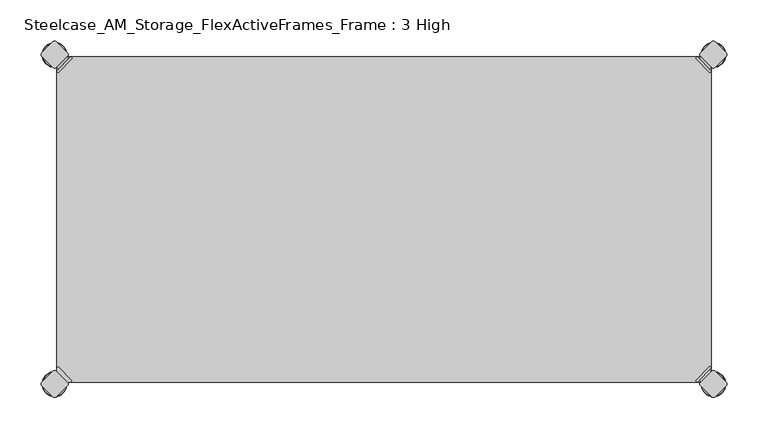
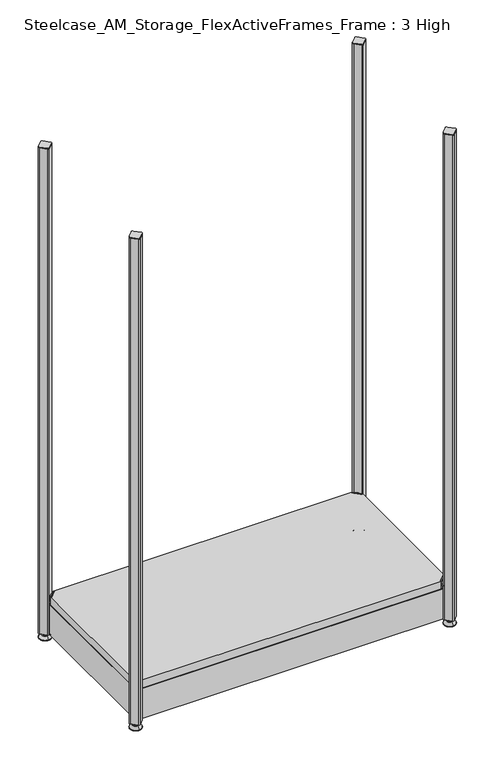
"""IFC4 building model written with IfcOpenShell, lengths in millimetres: furniture geometry, Steelcase_AM_Storage_FlexActiveFrames_Frame : 3 High."""

import ifcopenshell
import ifcopenshell.guid

model = None  # the IFC model being written
_history = None  # IfcOwnerHistory: only IFC2X3 demands one
_inside = {}  # id of a spatial element -> (the spatial element, [elements in it])
_under = {}  # id of a project, library or spatial element -> (it, [spatial elements below it])
_declared = {}  # id of a project -> (the project, [libraries it declares])
_typed = {}  # id of a type object -> (the type object, [elements of that type])
_made_of = {}  # id of a material, layer set ... -> (it, [elements and type objects made of it])


def new_model(schema):
    """Start an empty IFC model of exactly this schema.

    Asked for "IFC4X3", IfcOpenShell would pick the latest addendum, in which some entities
    have other attributes; the version numbers below select the first issue.
    IFC2X3 requires an IfcOwnerHistory on every rooted entity: one is made here for all.
    """
    global model, _history
    if schema == "IFC4X3":
        model = ifcopenshell.file(schema_version=(4, 3, 0, 0))
    else:
        model = ifcopenshell.file(schema=schema)
    _inside.clear()
    _under.clear()
    _declared.clear()
    _typed.clear()
    _made_of.clear()
    _history = None
    if model.schema == "IFC2X3":
        org = make("IfcOrganization", Name="unknown")
        user = make(
            "IfcPersonAndOrganization",
            ThePerson=make("IfcPerson", FamilyName="unknown"),
            TheOrganization=org,
        )
        app = make(
            "IfcApplication",
            ApplicationDeveloper=org,
            Version="unknown",
            ApplicationFullName="unknown",
            ApplicationIdentifier="unknown",
        )
        _history = make(
            "IfcOwnerHistory",
            OwningUser=user,
            OwningApplication=app,
            ChangeAction="ADDED",
            CreationDate=0,
        )
    return model


def make(cls, **values):
    """One entity of the class cls with the attributes given. An attribute that is None is left unset."""
    return model.create_entity(
        cls, **{name: value for name, value in values.items() if value is not None}
    )


def rooted(cls, **values):
    """An entity with a GlobalId (a new one), such as an element, a storey or a relation."""
    return make(cls, GlobalId=ifcopenshell.guid.new(), OwnerHistory=_history, **values)


def si_unit(unit_type, name, prefix=None):
    """IfcSIUnit, for example si_unit("LENGTHUNIT", "METRE", prefix="MILLI")."""
    return make("IfcSIUnit", UnitType=unit_type, Prefix=prefix, Name=name)


def assignment(units):
    """IfcUnitAssignment: the units of a project."""
    return None if units is None else make("IfcUnitAssignment", Units=units)


def point(xyz):
    """IfcCartesianPoint."""
    return None if xyz is None else make("IfcCartesianPoint", Coordinates=xyz)


def direction(xyz):
    """IfcDirection."""
    return None if xyz is None else make("IfcDirection", DirectionRatios=xyz)


def frame(location, z_axis=None, x_axis=None):
    """IfcAxis2Placement3D, a coordinate frame: its origin and axes. An axis left out is left unset."""
    return make(
        "IfcAxis2Placement3D",
        Location=point(location),
        Axis=direction(z_axis),
        RefDirection=direction(x_axis),
    )


def frame_2d(location, x_axis=None):
    """IfcAxis2Placement2D, a coordinate frame in the plane: its origin and x axis."""
    return make(
        "IfcAxis2Placement2D", Location=point(location), RefDirection=direction(x_axis)
    )


def origin():
    """The frame at (0, 0, 0) with its axes left unset."""
    return frame((0.0, 0.0, 0.0))


def place(relative_to, where):
    """IfcLocalPlacement: puts the frame where relative to a parent placement (None: the world)."""
    return make(
        "IfcLocalPlacement", PlacementRelTo=relative_to, RelativePlacement=where
    )


def context(
    kind, dimensions, precision=None, world=None, true_north=None, identifier=None
):
    """IfcGeometricRepresentationContext, for example the 3D "Model" context."""
    return make(
        "IfcGeometricRepresentationContext",
        ContextIdentifier=identifier,
        ContextType=kind,
        CoordinateSpaceDimension=dimensions,
        Precision=precision,
        WorldCoordinateSystem=world,
        TrueNorth=true_north,
    )


def project(units=None, contexts=None):
    """IfcProject with its units and contexts."""
    return rooted(
        "IfcProject",
        Name="project",
        RepresentationContexts=contexts,
        UnitsInContext=assignment(units),
    )


def spatial(cls, under=None, at=None, **own):
    """A site, building, storey or space (cls), placed at a placement, below another one or the project."""
    s = rooted(cls, ObjectPlacement=at, **own)
    if under is not None:
        _under.setdefault(under.id(), (under, []))[1].append(s)
    return s


def polyline(points):
    """IfcPolyline through the points."""
    return make("IfcPolyline", Points=[point(p) for p in points])


def circle_curve(where, radius):
    """IfcCircle in the frame where."""
    return make("IfcCircle", Position=where, Radius=radius)


def ellipse_curve(where, semi_axis1, semi_axis2):
    """IfcEllipse in the frame where."""
    return make(
        "IfcEllipse", Position=where, SemiAxis1=semi_axis1, SemiAxis2=semi_axis2
    )


def trimmed(basis, trim1, trim2, sense, master):
    """IfcTrimmedCurve: the piece of a basis curve between two trims."""
    return make(
        "IfcTrimmedCurve",
        BasisCurve=basis,
        Trim1=trim1,
        Trim2=trim2,
        SenseAgreement=sense,
        MasterRepresentation=master,
    )


def segment(curve, same_sense, transition):
    """IfcCompositeCurveSegment."""
    return make(
        "IfcCompositeCurveSegment",
        Transition=transition,
        SameSense=same_sense,
        ParentCurve=curve,
    )


def composite_curve(segments, self_intersect=None):
    """IfcCompositeCurve: segments joined end to end."""
    return make("IfcCompositeCurve", Segments=segments, SelfIntersect=self_intersect)


def outline(outer, holes=None, kind="AREA"):
    """IfcArbitraryClosedProfileDef: a profile drawn as a closed curve; with holes, ...WithVoids."""
    if holes is None:
        return make("IfcArbitraryClosedProfileDef", ProfileType=kind, OuterCurve=outer)
    return make(
        "IfcArbitraryProfileDefWithVoids",
        ProfileType=kind,
        OuterCurve=outer,
        InnerCurves=holes,
    )


def extrude(swept, where, along, depth):
    """IfcExtrudedAreaSolid: the profile swept, set in the frame where, extruded along a direction by depth."""
    return make(
        "IfcExtrudedAreaSolid",
        SweptArea=swept,
        Position=where,
        ExtrudedDirection=direction(along),
        Depth=depth,
    )


def shape(context_of_items, identifier, shape_type, items):
    """IfcShapeRepresentation: the items that make up one representation, for example the "Body"."""
    return make(
        "IfcShapeRepresentation",
        ContextOfItems=context_of_items,
        RepresentationIdentifier=identifier,
        RepresentationType=shape_type,
        Items=items,
    )


def source(mapping_origin, context_of_items, identifier, shape_type, items):
    """IfcRepresentationMap: a shape defined once, which mapped items show again and again."""
    return make(
        "IfcRepresentationMap",
        MappingOrigin=mapping_origin,
        MappedRepresentation=shape(context_of_items, identifier, shape_type, items),
    )


def transform(
    local_origin,
    x_axis=None,
    y_axis=None,
    z_axis=None,
    scale=None,
    scale2=None,
    scale3=None,
    uniform=True,
):
    """IfcCartesianTransformationOperator3D, or its non-uniform kind. x_axis, y_axis, z_axis: its Axis1, 2, 3."""
    if uniform:
        return make(
            "IfcCartesianTransformationOperator3D",
            Axis1=direction(x_axis),
            Axis2=direction(y_axis),
            LocalOrigin=point(local_origin),
            Scale=scale,
            Axis3=direction(z_axis),
        )
    return make(
        "IfcCartesianTransformationOperator3DnonUniform",
        Axis1=direction(x_axis),
        Axis2=direction(y_axis),
        LocalOrigin=point(local_origin),
        Scale=scale,
        Axis3=direction(z_axis),
        Scale2=scale2,
        Scale3=scale3,
    )


def mapped(mapping_source, mapping_target):
    """IfcMappedItem: shows the shape of a source again, moved by a transform."""
    return make(
        "IfcMappedItem", MappingSource=mapping_source, MappingTarget=mapping_target
    )


def made_of(thing, what):
    """Note that an element or type object is made of a material, layer set ...; save() writes the relation."""
    if what is not None:
        _made_of.setdefault(what.id(), (what, []))[1].append(thing)
    return thing


def element(
    cls,
    number,
    at=None,
    inside=None,
    cuts=None,
    type_object=None,
    material=None,
    context=None,
    identifier="Body",
    shape_type=None,
    held_by="IfcProductDefinitionShape",
    body=None,
    shapes=None,
    **own,
):
    """One element of the class cls, such as IfcWall. Its Tag is "e" and its number.

    at: its placement. inside: the storey or other place that contains it. cuts: it is an
    opening in that element (IfcRelVoidsElement). A single representation is given by context,
    identifier, shape_type and body (its items); several are given by shapes. held_by: the class
    of the entity that holds the representations. save() writes the other relations.
    """
    e = rooted(cls, Tag="e%d" % number, ObjectPlacement=at, **own)
    if body is not None:
        shapes = [shape(context, identifier, shape_type, body)]
    if shapes is not None:
        e.Representation = make(held_by, Representations=shapes)
    if inside is not None:
        _inside.setdefault(inside.id(), (inside, []))[1].append(e)
    if cuts is not None:
        rooted(
            "IfcRelVoidsElement", RelatingBuildingElement=cuts, RelatedOpeningElement=e
        )
    if type_object is not None:
        _typed.setdefault(type_object.id(), (type_object, []))[1].append(e)
    return made_of(e, material)


def aggregate(whole, parts):
    """IfcRelAggregates: a whole, such as a stair, and the parts it consists of."""
    return rooted("IfcRelAggregates", RelatingObject=whole, RelatedObjects=parts)


def save(model, path):
    """Write the relations noted so far, then the file.

    IfcRelAggregates (storeys below a building ...), IfcRelContainedInSpatialStructure (elements
    in a storey), IfcRelDefinesByType, IfcRelAssociatesMaterial and IfcRelDeclares: one each for
    every whole, place, type object, material and project.
    """
    for whole, parts in _under.values():
        aggregate(whole, parts)
    for where, things in _inside.values():
        rooted(
            "IfcRelContainedInSpatialStructure",
            RelatedElements=things,
            RelatingStructure=where,
        )
    for kind, things in _typed.values():
        rooted("IfcRelDefinesByType", RelatedObjects=things, RelatingType=kind)
    for what, things in _made_of.values():
        rooted("IfcRelAssociatesMaterial", RelatedObjects=things, RelatingMaterial=what)
    for by, libraries in _declared.values():
        rooted("IfcRelDeclares", RelatingContext=by, RelatedDefinitions=libraries)
    model.write(path)


def plane_surface(at):
    """IfcPlane: the flat surface through the origin of the frame at, square to its z axis."""
    return make("IfcPlane", Position=at)


def cylinder_surface(at, radius):
    """IfcCylindricalSurface: all points at the distance radius from the z axis of the frame at."""
    return make("IfcCylindricalSurface", Position=at, Radius=radius)


def revolved_surface(curve, axis_point, axis_direction):
    """IfcSurfaceOfRevolution: the curve turned about the line through axis_point along axis_direction."""
    return make(
        "IfcSurfaceOfRevolution",
        SweptCurve=make("IfcArbitraryOpenProfileDef", ProfileType="CURVE", Curve=curve),
        AxisPosition=make("IfcAxis1Placement", Location=point(axis_point), Axis=direction(axis_direction)),
    )


def advanced_brep(points, edges, surfaces, faces):
    """IfcAdvancedBrep: a solid bounded by faces that lie on surfaces and meet in shared edges.

    An edge is (start, end): straight between two places in points (the first is 0);
    or (start, end, curve); or (start, end, curve, False) where it runs against its curve.
    A face is (place in surfaces, loops), or (place, loops, False) where it looks against
    its surface's normal. A loop lists edges by number (the first is 1), with a minus sign
    where the edge is run from its end to its start. The first loop is the outer one.
    """
    corners = [point(p) for p in points]
    vertices = [make("IfcVertexPoint", VertexGeometry=c) for c in corners]
    made = []
    for start, end, *more in edges:
        made.append(
            make(
                "IfcEdgeCurve",
                EdgeStart=vertices[start],
                EdgeEnd=vertices[end],
                EdgeGeometry=more[0] if more else make("IfcPolyline", Points=[corners[start], corners[end]]),
                SameSense=more[1] if len(more) > 1 else True,
            )
        )
    hull = []
    for where, loops, *sense in faces:
        bounds = []
        for j, loop in enumerate(loops):
            ring = [make("IfcOrientedEdge", EdgeElement=made[abs(k) - 1], Orientation=k > 0) for k in loop]
            bounds.append(
                make(
                    "IfcFaceOuterBound" if j == 0 else "IfcFaceBound",
                    Bound=make("IfcEdgeLoop", EdgeList=ring),
                    Orientation=True,
                )
            )
        hull.append(make("IfcAdvancedFace", Bounds=bounds, FaceSurface=surfaces[where], SameSense=sense[0] if sense else True))
    return make("IfcAdvancedBrep", Outer=make("IfcClosedShell", CfsFaces=hull))


def steelcase_am_storage_flexactiveframes_frame_3_high_4fc9498e(model_context):
    return source(origin(), model_context, "Body", "SolidModel", [
        advanced_brep(
        [(797.56, -380.2870969, 118.9736), (795.7639488, -378.4910456, 118.9736), (778.5410456, -395.7139488, 118.9736), (780.3370969, -397.51, 118.9736), (780.3370969, -397.51, 97.6376), (797.56, -380.2870969, 97.6376), (795.2347277, -382.6123691, 108.8136), (782.6623691, -395.1847277, 108.8136), (769.8079478, -352.5350447, 98.6536), (752.5850447, -369.7579478, 98.6536), (778.5410456, -395.7139488, 98.6536), (795.7639488, -378.4910456, 98.6536), (769.8079478, -352.5350447, 97.6376), (752.5850447, -369.7579478, 97.6376), (784.9772487, -397.4996073, 108.8136), (797.5496073, -384.9272487, 108.8136)],
        [
            (0, 1),
            (1, 2),
            (2, 3),
            (3, 0),
            (3, 4),
            (4, 5),
            (5, 0),
            (6, 7, circle_curve(frame((788.9485484, -388.8985484, 108.8136), z_axis=(-0.7071067811865446, 0.7071067811865505, 0.0), x_axis=(0.7071067811865505, 0.7071067811865446, 0.0)), 8.89)),
            (7, 6, circle_curve(frame((788.9485484, -388.8985484, 108.8136), z_axis=(-0.7071067811865446, 0.7071067811865505, 0.0), x_axis=(0.7071067811865505, 0.7071067811865446, 0.0)), 8.89)),
            (8, 9, circle_curve(frame((761.1964963, -361.1464963, 98.6536), z_axis=(0.0, 0.0, 1.0), x_axis=(-1.0, 0.0, 0.0)), 12.1784316)),
            (9, 10),
            (10, 11),
            (11, 8),
            (12, 5),
            (4, 13),
            (13, 12, circle_curve(frame((761.1964963, -361.1464963, 97.6376), z_axis=(0.0, 0.0, -1.0), x_axis=(-1.0, 0.0, 0.0)), 12.1784316)),
            (14, 15, circle_curve(frame((791.263428, -391.213428, 108.8136), z_axis=(0.7071067811865446, -0.7071067811865505, 0.0), x_axis=(0.7071067811865505, 0.7071067811865446, 0.0)), 8.89)),
            (15, 14, circle_curve(frame((791.263428, -391.213428, 108.8136), z_axis=(0.7071067811865446, -0.7071067811865505, 0.0), x_axis=(0.7071067811865505, 0.7071067811865446, 0.0)), 8.89)),
            (14, 7),
            (6, 15),
            (1, 11),
            (10, 2),
            (8, 12),
            (13, 9),
        ],
        [
            plane_surface(frame((819.7579872, -402.485084, 118.9736), z_axis=(0.0, 0.0, 1.0000000000000002), x_axis=(-0.7071067811865436, 0.7071067811865516, 0.0))),
            plane_surface(frame((780.3370969, -397.51, 118.9736), z_axis=(0.7071067811865447, -0.7071067811865503, 0.0), x_axis=(0.0, 0.0, -1.0))),
            plane_surface(frame((749.0180647, -361.1464963, 98.6536), z_axis=(0.0, 0.0, 1.0), x_axis=(0.0, -1.0, 0.0))),
            plane_surface(frame((749.0180647, -361.1464963, 97.6376), z_axis=(0.0, 0.0, -1.0), x_axis=(0.0, 1.0, 0.0))),
            plane_surface(frame((797.5496073, -384.9272487, 108.8136), z_axis=(0.7071067811865446, -0.7071067811865505, 0.0), x_axis=(0.0, 0.0, 1.0))),
            cylinder_surface(frame((788.9485484, -388.8985484, 108.8136), z_axis=(0.7071067811865446, -0.7071067811865505, 0.0), x_axis=(0.7071067811865505, 0.7071067811865446, 0.0)), 8.89),
            plane_surface(frame((795.7639488, -378.4910456, 118.9736), z_axis=(-0.7071067811865447, 0.7071067811865503, 0.0), x_axis=(0.0, 0.0, -1.0))),
            cylinder_surface(frame((761.1964963, -361.1464963, 97.6376), z_axis=(0.0, 0.0, 1.0), x_axis=(-1.0, 0.0, 0.0)), 12.1784316),
            plane_surface(frame((797.56, -380.2870969, 118.9736), z_axis=(0.7071067811865516, 0.7071067811865436, 0.0), x_axis=(0.0, 0.0, -1.0))),
            plane_surface(frame((778.5410456, -395.7139488, 118.9736), z_axis=(-0.7071067811865513, -0.7071067811865437, 0.0), x_axis=(0.0, 0.0, -1.0))),
        ],
        [
            (0, [[1, 2, 3, 4]]),
            (1, [[-4, 5, 6, 7], [8, 9]]),
            (2, [[10, 11, 12, 13]]),
            (3, [[14, -6, 15, 16]]),
            (4, [[17, 18]]),
            (5, [[-17, 19, -8, 20]]),
            (5, [[-18, -20, -9, -19]]),
            (6, [[-2, 21, -12, 22]]),
            (7, [[-10, 23, -16, 24]]),
            (8, [[-1, -7, -14, -23, -13, -21]]),
            (9, [[-3, -22, -11, -24, -15, -5]]),
        ],
    ),
        advanced_brep(
        [(797.56, -19.7629031, 118.9736), (780.3370969, -2.54, 118.9736), (778.5410456, -4.3360512, 118.9736), (795.7639488, -21.5589544, 118.9736), (797.56, -19.7629031, 97.6376), (780.3370969, -2.54, 97.6376), (795.2347277, -17.4376309, 108.8136), (782.6623691, -4.8652723, 108.8136), (769.8079478, -47.5149553, 98.6536), (795.7639488, -21.5589544, 98.6536), (778.5410456, -4.3360512, 98.6536), (752.5850447, -30.2920522, 98.6536), (769.8079478, -47.5149553, 97.6376), (752.5850447, -30.2920522, 97.6376), (784.9772487, -2.5503927, 108.8136), (797.5496073, -15.1227513, 108.8136)],
        [
            (0, 1),
            (1, 2),
            (2, 3),
            (3, 0),
            (0, 4),
            (4, 5),
            (5, 1),
            (6, 7, circle_curve(frame((788.9485484, -11.1514516, 108.8136), z_axis=(-0.7071067811865469, -0.7071067811865481, 0.0), x_axis=(0.7071067811865481, -0.7071067811865469, 0.0)), 8.89)),
            (7, 6, circle_curve(frame((788.9485484, -11.1514516, 108.8136), z_axis=(-0.7071067811865469, -0.7071067811865481, 0.0), x_axis=(0.7071067811865481, -0.7071067811865469, 0.0)), 8.89)),
            (8, 9),
            (9, 10),
            (10, 11),
            (11, 8, circle_curve(frame((761.1964963, -38.9035037, 98.6536), z_axis=(0.0, 0.0, 1.0), x_axis=(-1.0, 0.0, 0.0)), 12.1784316)),
            (12, 13, circle_curve(frame((761.1964963, -38.9035037, 97.6376), z_axis=(0.0, 0.0, -1.0), x_axis=(-1.0, 0.0, 0.0)), 12.1784316)),
            (13, 5),
            (4, 12),
            (14, 15, circle_curve(frame((791.263428, -8.836572, 108.8136), z_axis=(0.7071067811865469, 0.7071067811865481, 0.0), x_axis=(0.7071067811865481, -0.7071067811865469, 0.0)), 8.89)),
            (15, 14, circle_curve(frame((791.263428, -8.836572, 108.8136), z_axis=(0.7071067811865469, 0.7071067811865481, 0.0), x_axis=(0.7071067811865481, -0.7071067811865469, 0.0)), 8.89)),
            (15, 6),
            (7, 14),
            (2, 10),
            (9, 3),
            (11, 13),
            (12, 8),
        ],
        [
            plane_surface(frame((819.7579872, 2.435084, 118.9736), z_axis=(0.0, 0.0, 1.0000000000000002), x_axis=(-0.7071067811865459, -0.7071067811865492, 0.0))),
            plane_surface(frame((780.3370969, -2.54, 118.9736), z_axis=(0.707106781186547, 0.707106781186548, 0.0), x_axis=(0.0, 0.0, -1.0))),
            plane_surface(frame((749.0180647, -38.9035037, 98.6536), z_axis=(0.0, 0.0, 1.0), x_axis=(0.0, 1.0, 0.0))),
            plane_surface(frame((749.0180647, -38.9035037, 97.6376), z_axis=(0.0, 0.0, -1.0), x_axis=(0.0, -1.0, 0.0))),
            plane_surface(frame((797.5496073, -15.1227513, 108.8136), z_axis=(0.7071067811865469, 0.7071067811865481, 0.0), x_axis=(0.0, 0.0, 1.0))),
            cylinder_surface(frame((788.9485484, -11.1514516, 108.8136), z_axis=(0.7071067811865469, 0.7071067811865481, 0.0), x_axis=(0.7071067811865481, -0.7071067811865469, 0.0)), 8.89),
            plane_surface(frame((795.7639488, -21.5589544, 118.9736), z_axis=(-0.707106781186547, -0.707106781186548, 0.0), x_axis=(0.0, 0.0, -1.0))),
            cylinder_surface(frame((761.1964963, -38.9035037, 97.6376), z_axis=(0.0, 0.0, 1.0), x_axis=(-1.0, 0.0, 0.0)), 12.1784316),
            plane_surface(frame((797.56, -19.7629031, 118.9736), z_axis=(0.7071067811865492, -0.7071067811865459, 0.0), x_axis=(0.0, 0.0, -1.0))),
            plane_surface(frame((778.5410456, -4.3360512, 118.9736), z_axis=(-0.707106781186549, 0.707106781186546, 0.0), x_axis=(0.0, 0.0, -1.0))),
        ],
        [
            (0, [[1, 2, 3, 4]]),
            (1, [[5, 6, 7, -1], [8, 9]]),
            (2, [[10, 11, 12, 13]]),
            (3, [[14, 15, -6, 16]]),
            (4, [[17, 18]]),
            (5, [[19, -9, 20, -18]]),
            (5, [[-20, -8, -19, -17]]),
            (6, [[21, -11, 22, -3]]),
            (7, [[23, -14, 24, -13]]),
            (8, [[-22, -10, -24, -16, -5, -4]]),
            (9, [[-7, -15, -23, -12, -21, -2]]),
        ],
    ),
        advanced_brep(
        [(2.54, -19.7629031, 118.9736), (4.3360512, -21.5589544, 118.9736), (21.5589544, -4.3360512, 118.9736), (19.7629031, -2.54, 118.9736), (19.7629031, -2.54, 97.6376), (2.54, -19.7629031, 97.6376), (4.8652723, -17.4376309, 108.8136), (17.4376309, -4.8652723, 108.8136), (30.2920522, -47.5149553, 98.6536), (47.5149553, -30.2920522, 98.6536), (21.5589544, -4.3360512, 98.6536), (4.3360512, -21.5589544, 98.6536), (30.2920522, -47.5149553, 97.6376), (47.5149553, -30.2920522, 97.6376), (15.1227513, -2.5503927, 108.8136), (2.5503927, -15.1227513, 108.8136)],
        [
            (0, 1),
            (1, 2),
            (2, 3),
            (3, 0),
            (3, 4),
            (4, 5),
            (5, 0),
            (6, 7, circle_curve(frame((11.1514516, -11.1514516, 108.8136), z_axis=(0.7071067811865469, -0.7071067811865481, 0.0), x_axis=(-0.7071067811865481, -0.7071067811865469, 0.0)), 8.89)),
            (7, 6, circle_curve(frame((11.1514516, -11.1514516, 108.8136), z_axis=(0.7071067811865469, -0.7071067811865481, 0.0), x_axis=(-0.7071067811865481, -0.7071067811865469, 0.0)), 8.89)),
            (8, 9, circle_curve(frame((38.9035037, -38.9035037, 98.6536), z_axis=(0.0, 0.0, 1.0), x_axis=(1.0, 0.0, 0.0)), 12.1784316)),
            (9, 10),
            (10, 11),
            (11, 8),
            (12, 5),
            (4, 13),
            (13, 12, circle_curve(frame((38.9035037, -38.9035037, 97.6376), z_axis=(0.0, 0.0, -1.0), x_axis=(1.0, 0.0, 0.0)), 12.1784316)),
            (14, 15, circle_curve(frame((8.836572, -8.836572, 108.8136), z_axis=(-0.7071067811865469, 0.7071067811865481, 0.0), x_axis=(-0.7071067811865481, -0.7071067811865469, 0.0)), 8.89)),
            (15, 14, circle_curve(frame((8.836572, -8.836572, 108.8136), z_axis=(-0.7071067811865469, 0.7071067811865481, 0.0), x_axis=(-0.7071067811865481, -0.7071067811865469, 0.0)), 8.89)),
            (14, 7),
            (6, 15),
            (1, 11),
            (10, 2),
            (8, 12),
            (13, 9),
        ],
        [
            plane_surface(frame((-19.6579872, 2.435084, 118.9736), z_axis=(0.0, 0.0, 1.0000000000000002), x_axis=(0.7071067811865459, -0.7071067811865492, 0.0))),
            plane_surface(frame((19.7629031, -2.54, 118.9736), z_axis=(-0.707106781186547, 0.707106781186548, 0.0), x_axis=(0.0, 0.0, -1.0))),
            plane_surface(frame((51.0819353, -38.9035037, 98.6536), z_axis=(0.0, 0.0, 1.0), x_axis=(0.0, 1.0, 0.0))),
            plane_surface(frame((51.0819353, -38.9035037, 97.6376), z_axis=(0.0, 0.0, -1.0), x_axis=(0.0, -1.0, 0.0))),
            plane_surface(frame((2.5503927, -15.1227513, 108.8136), z_axis=(-0.7071067811865469, 0.7071067811865481, 0.0), x_axis=(0.0, 0.0, 1.0))),
            cylinder_surface(frame((11.1514516, -11.1514516, 108.8136), z_axis=(-0.7071067811865469, 0.7071067811865481, 0.0), x_axis=(-0.7071067811865481, -0.7071067811865469, 0.0)), 8.89),
            plane_surface(frame((4.3360512, -21.5589544, 118.9736), z_axis=(0.707106781186547, -0.707106781186548, 0.0), x_axis=(0.0, 0.0, -1.0))),
            cylinder_surface(frame((38.9035037, -38.9035037, 97.6376), z_axis=(0.0, 0.0, 1.0), x_axis=(1.0, 0.0, 0.0)), 12.1784316),
            plane_surface(frame((2.54, -19.7629031, 118.9736), z_axis=(-0.7071067811865492, -0.7071067811865459, 0.0), x_axis=(0.0, 0.0, -1.0))),
            plane_surface(frame((21.5589544, -4.3360512, 118.9736), z_axis=(0.707106781186549, 0.707106781186546, 0.0), x_axis=(0.0, 0.0, -1.0))),
        ],
        [
            (0, [[1, 2, 3, 4]]),
            (1, [[-4, 5, 6, 7], [8, 9]]),
            (2, [[10, 11, 12, 13]]),
            (3, [[14, -6, 15, 16]]),
            (4, [[17, 18]]),
            (5, [[-17, 19, -8, 20]]),
            (5, [[-18, -20, -9, -19]]),
            (6, [[-2, 21, -12, 22]]),
            (7, [[-10, 23, -16, 24]]),
            (8, [[-1, -7, -14, -23, -13, -21]]),
            (9, [[-3, -22, -11, -24, -15, -5]]),
        ],
    ),
        extrude(outline(polyline([(19.7629031, -2.54), (780.3370969, -2.54), (778.5410456, -4.3360512), (795.7639488, -21.5589544), (797.56, -19.7629031), (797.56, -380.2870969), (795.7639488, -378.4910456), (778.5410456, -395.7139488), (780.3370969, -397.51), (19.7629031, -397.51), (21.5589544, -395.7139488), (4.3360512, -378.4910456), (2.54, -380.2870969), (2.54, -19.7629031), (4.3360512, -21.5589544), (21.5589544, -4.3360512), (19.7629031, -2.54)])), frame((0.0, 0.0, 98.6536), z_axis=(0.0, 0.0, 1.0), x_axis=(1.0, 0.0, 0.0)), (0.0, 0.0, 1.0), 20.32),
        extrude(outline(composite_curve([segment(polyline([(-2.245064, -15.4326055), (-15.4326055, -2.245064)]), True, "CONTINUOUS"), segment(trimmed(circle_curve(frame_2d((-13.1875415, 0.0)), 3.175), [point((-15.4326055, -2.245064))], [point((-15.4326055, 2.245064))], False, "CARTESIAN"), True, "CONTINUOUS"), segment(polyline([(-15.4326055, 2.245064), (-2.245064, 15.4326055)]), True, "CONTINUOUS"), segment(trimmed(circle_curve(frame_2d((0.0, 13.1875415)), 3.175), [point((-2.245064, 15.4326055))], [point((2.245064, 15.4326055))], False, "CARTESIAN"), True, "CONTINUOUS"), segment(polyline([(2.245064, 15.4326055), (15.4326055, 2.245064)]), True, "CONTINUOUS"), segment(trimmed(circle_curve(frame_2d((13.1875415, 0.0)), 3.175), [point((15.4326055, 2.245064))], [point((15.4326055, -2.245064))], False, "CARTESIAN"), True, "CONTINUOUS"), segment(polyline([(15.4326055, -2.245064), (2.245064, -15.4326055)]), True, "CONTINUOUS"), segment(trimmed(circle_curve(frame_2d((0.0, -13.1875415)), 3.175), [point((2.245064, -15.4326055))], [point((-2.245064, -15.4326055))], False, "CARTESIAN"), True, "CONTINUOUS")], self_intersect=False)), frame((0.0, 0.0, 1324.61), z_axis=(0.0, 0.0, 1.0), x_axis=(1.0, 0.0, 0.0)), (0.0, 0.0, 1.0), 2.032),
        extrude(outline(composite_curve([segment(trimmed(circle_curve(frame_2d((800.1, -13.1875415)), 3.175), [point((802.345064, -15.4326055))], [point((797.854936, -15.4326055))], False, "CARTESIAN"), True, "CONTINUOUS"), segment(polyline([(797.854936, -15.4326055), (784.6673945, -2.245064)]), True, "CONTINUOUS"), segment(trimmed(circle_curve(frame_2d((786.9124585, 0.0)), 3.175), [point((784.6673945, -2.245064))], [point((784.6673945, 2.245064))], False, "CARTESIAN"), True, "CONTINUOUS"), segment(polyline([(784.6673945, 2.245064), (797.854936, 15.4326055)]), True, "CONTINUOUS"), segment(trimmed(circle_curve(frame_2d((800.1, 13.1875415)), 3.175), [point((797.854936, 15.4326055))], [point((802.345064, 15.4326055))], False, "CARTESIAN"), True, "CONTINUOUS"), segment(polyline([(802.345064, 15.4326055), (815.5326055, 2.245064)]), True, "CONTINUOUS"), segment(trimmed(circle_curve(frame_2d((813.2875415, 0.0)), 3.175), [point((815.5326055, 2.245064))], [point((815.5326055, -2.245064))], False, "CARTESIAN"), True, "CONTINUOUS"), segment(polyline([(815.5326055, -2.245064), (802.345064, -15.4326055)]), True, "CONTINUOUS")], self_intersect=False)), frame((0.0, 0.0, 1324.61), z_axis=(0.0, 0.0, 1.0), x_axis=(1.0, 0.0, 0.0)), (0.0, 0.0, 1.0), 2.032),
        extrude(outline(composite_curve([segment(polyline([(802.345064, -384.6173945), (815.5326055, -397.804936)]), True, "CONTINUOUS"), segment(trimmed(circle_curve(frame_2d((813.2875415, -400.05)), 3.175), [point((815.5326055, -397.804936))], [point((815.5326055, -402.295064))], False, "CARTESIAN"), True, "CONTINUOUS"), segment(polyline([(815.5326055, -402.295064), (802.345064, -415.4826055)]), True, "CONTINUOUS"), segment(trimmed(circle_curve(frame_2d((800.1, -413.2375415)), 3.175), [point((802.345064, -415.4826055))], [point((797.854936, -415.4826055))], False, "CARTESIAN"), True, "CONTINUOUS"), segment(polyline([(797.854936, -415.4826055), (784.6673945, -402.295064)]), True, "CONTINUOUS"), segment(trimmed(circle_curve(frame_2d((786.9124585, -400.05)), 3.175), [point((784.6673945, -402.295064))], [point((784.6673945, -397.804936))], False, "CARTESIAN"), True, "CONTINUOUS"), segment(polyline([(784.6673945, -397.804936), (797.854936, -384.6173945)]), True, "CONTINUOUS"), segment(trimmed(circle_curve(frame_2d((800.1, -386.8624585)), 3.175), [point((797.854936, -384.6173945))], [point((802.345064, -384.6173945))], False, "CARTESIAN"), True, "CONTINUOUS")], self_intersect=False)), frame((0.0, 0.0, 1324.61), z_axis=(0.0, 0.0, 1.0), x_axis=(1.0, 0.0, 0.0)), (0.0, 0.0, 1.0), 2.032),
        extrude(outline(composite_curve([segment(trimmed(circle_curve(frame_2d((0.0, -386.8624585)), 3.175), [point((-2.245064, -384.6173945))], [point((2.245064, -384.6173945))], False, "CARTESIAN"), True, "CONTINUOUS"), segment(polyline([(2.245064, -384.6173945), (15.4326055, -397.804936)]), True, "CONTINUOUS"), segment(trimmed(circle_curve(frame_2d((13.1875415, -400.05)), 3.175), [point((15.4326055, -397.804936))], [point((15.4326055, -402.295064))], False, "CARTESIAN"), True, "CONTINUOUS"), segment(polyline([(15.4326055, -402.295064), (2.245064, -415.4826055)]), True, "CONTINUOUS"), segment(trimmed(circle_curve(frame_2d((0.0, -413.2375415)), 3.175), [point((2.245064, -415.4826055))], [point((-2.245064, -415.4826055))], False, "CARTESIAN"), True, "CONTINUOUS"), segment(polyline([(-2.245064, -415.4826055), (-15.4326055, -402.295064)]), True, "CONTINUOUS"), segment(trimmed(circle_curve(frame_2d((-13.1875415, -400.05)), 3.175), [point((-15.4326055, -402.295064))], [point((-15.4326055, -397.804936))], False, "CARTESIAN"), True, "CONTINUOUS"), segment(polyline([(-15.4326055, -397.804936), (-2.245064, -384.6173945)]), True, "CONTINUOUS")], self_intersect=False)), frame((0.0, 0.0, 1324.61), z_axis=(0.0, 0.0, 1.0), x_axis=(1.0, 0.0, 0.0)), (0.0, 0.0, 1.0), 2.032),
        extrude(outline(polyline([(2.54, -384.9123305), (2.54, -15.1376695), (15.1376695, -2.54), (784.9623305, -2.54), (797.56, -15.1376695), (797.56, -384.9123305), (784.9623305, -397.51), (15.1376695, -397.51), (2.54, -384.9123305)]), holes=[polyline([(12.7, -15.748), (12.7, -387.35), (787.4, -387.35), (787.4, -15.748), (12.7, -15.748)])]), frame((0.0, 0.0, 15.9766), z_axis=(0.0, 0.0, 1.0), x_axis=(1.0, 0.0, 0.0)), (0.0, 0.0, 1.0), 81.28),
        advanced_brep(
        [(800.1, 3.999659, 15.9766), (800.1, -3.999659, 15.9766), (800.1, 0.0, 15.9766), (800.1, 3.999659, 12.6000054), (800.1, -3.999659, 12.6000054), (800.1, 5.8601455, 12.6000054), (800.1, -5.8601455, 12.6000054), (800.1, 6.4951462, 11.9650074), (800.1, -6.4951462, 11.9650074), (800.1, 6.4951462, 9.0000124), (800.1, -6.4951462, 9.0000124), (800.1, 8.7421976, 9.0000124), (800.1, -8.7421976, 9.0000124), (800.1, 14.7060077, 2.3275608), (800.1, -14.7060077, 2.3275608), (800.1, 13.664601, 0.0), (800.1, -13.664601, 0.0), (800.1, 0.0, 0.0)],
        [
            (0, 1, circle_curve(frame((800.1, 0.0, 15.9766), z_axis=(0.0, 0.0, 1.0), x_axis=(0.0, -1.0, 0.0)), 3.999659)),
            (1, 2),
            (2, 0),
            (1, 0, circle_curve(frame((800.1, 0.0, 15.9766), z_axis=(0.0, 0.0, 1.0), x_axis=(0.0, -1.0, 0.0)), 3.999659)),
            (3, 4, circle_curve(frame((800.1, 0.0, 12.6000054), z_axis=(0.0, 0.0, 1.0), x_axis=(0.0, -1.0, 0.0)), 3.999659)),
            (4, 1),
            (0, 3),
            (4, 3, circle_curve(frame((800.1, 0.0, 12.6000054), z_axis=(0.0, 0.0, 1.0), x_axis=(0.0, -1.0, 0.0)), 3.999659)),
            (5, 6, circle_curve(frame((800.1, 0.0, 12.6000054), z_axis=(0.0, 0.0, 1.0), x_axis=(0.0, -1.0, 0.0)), 5.8601455)),
            (6, 4),
            (3, 5),
            (6, 5, circle_curve(frame((800.1, 0.0, 12.6000054), z_axis=(0.0, 0.0, 1.0), x_axis=(0.0, -1.0, 0.0)), 5.8601455)),
            (7, 8, circle_curve(frame((800.1, 0.0, 11.9650074), z_axis=(0.0, 0.0, 1.0), x_axis=(0.0, -1.0, 0.0)), 6.4951462)),
            (8, 6, circle_curve(frame((800.1, -5.8601462, 11.9650074), z_axis=(-1.0, 0.0, 0.0), x_axis=(0.0, -1.0, 0.0)), 0.635)),
            (5, 7, circle_curve(frame((800.1, 5.8601462, 11.9650074), z_axis=(-1.0, 0.0, 0.0), x_axis=(0.0, 1.0, 0.0)), 0.635)),
            (8, 7, circle_curve(frame((800.1, 0.0, 11.9650074), z_axis=(0.0, 0.0, 1.0), x_axis=(0.0, -1.0, 0.0)), 6.4951462)),
            (9, 10, circle_curve(frame((800.1, 0.0, 9.0000124), z_axis=(0.0, 0.0, 1.0), x_axis=(0.0, -1.0, 0.0)), 6.4951462)),
            (10, 8),
            (7, 9),
            (10, 9, circle_curve(frame((800.1, 0.0, 9.0000124), z_axis=(0.0, 0.0, 1.0), x_axis=(0.0, -1.0, 0.0)), 6.4951462)),
            (11, 12, circle_curve(frame((800.1, 0.0, 9.0000124), z_axis=(0.0, 0.0, 1.0), x_axis=(0.0, -1.0, 0.0)), 8.7421976)),
            (12, 10),
            (9, 11),
            (12, 11, circle_curve(frame((800.1, 0.0, 9.0000124), z_axis=(0.0, 0.0, 1.0), x_axis=(0.0, -1.0, 0.0)), 8.7421976)),
            (13, 14, circle_curve(frame((800.1, 0.0, 2.3275608), z_axis=(0.0, 0.0, 1.0), x_axis=(0.0, -1.0, 0.0)), 14.7060077)),
            (14, 12),
            (11, 13),
            (14, 13, circle_curve(frame((800.1, 0.0, 2.3275608), z_axis=(0.0, 0.0, 1.0), x_axis=(0.0, -1.0, 0.0)), 14.7060077)),
            (15, 16, circle_curve(frame((800.1, 0.0, 0.0), z_axis=(0.0, 0.0, 1.0), x_axis=(0.0, -1.0, 0.0)), 13.664601)),
            (16, 14, circle_curve(frame((800.1, -13.664601, 1.3967556), z_axis=(-1.0, 0.0, 0.0), x_axis=(0.0, -1.0, 0.0)), 1.3967556)),
            (13, 15, circle_curve(frame((800.1, 13.664601, 1.3967556), z_axis=(-1.0, 0.0, 0.0), x_axis=(0.0, 1.0, 0.0)), 1.3967556)),
            (16, 15, circle_curve(frame((800.1, 0.0, 0.0), z_axis=(0.0, 0.0, 1.0), x_axis=(0.0, -1.0, 0.0)), 13.664601)),
            (17, 16),
            (15, 17),
        ],
        [
            plane_surface(frame((800.1, 0.0, 15.9766), z_axis=(0.0, 0.0, 1.0), x_axis=(0.0, -1.0, 0.0))),
            cylinder_surface(frame((800.1, 0.0, -4.132372), z_axis=(0.0, 0.0, -1.0), x_axis=(0.0, -1.0, 0.0)), 3.999659),
            plane_surface(frame((800.1, 0.0, 12.6000054), z_axis=(0.0, 0.0, 1.0), x_axis=(0.0, -1.0, 0.0))),
            revolved_surface(trimmed(ellipse_curve(frame((800.1, -5.8601462, 11.9650074), z_axis=(1.0, 0.0, 0.0), x_axis=(0.0, -1.0, 0.0)), 0.635, 0.635), [point((800.1, -5.8601455, 12.6000074))], [point((800.1, -6.4951462, 11.9650074))], True, "CARTESIAN"), (800.1, 0.0, -4.132372), (0.0, 0.0, -1.0)),
            cylinder_surface(frame((800.1, 0.0, -4.132372), z_axis=(0.0, 0.0, -1.0), x_axis=(0.0, -1.0, 0.0)), 6.4951462),
            plane_surface(frame((800.1, 0.0, 9.0000124), z_axis=(0.0, 0.0, 1.0), x_axis=(0.0, -1.0, 0.0))),
            revolved_surface(polyline([(800.1, -8.7421976, 9.0000124), (800.1, -14.7060077, 2.3275608)]), (800.1, 0.0, -4.132372), (0.0, 0.0, -1.0)),
            revolved_surface(trimmed(ellipse_curve(frame((800.1, -13.664601, 1.3967556), z_axis=(1.0, 0.0, 0.0), x_axis=(0.0, -1.0, 0.0)), 1.3967556, 1.3967556), [point((800.1, -14.7060077, 2.3275608))], [point((800.1, -13.664601, 0.0))], True, "CARTESIAN"), (800.1, 0.0, -4.132372), (0.0, 0.0, -1.0)),
            plane_surface(frame((800.1, 0.0, 0.0), z_axis=(0.0, 0.0, -1.0), x_axis=(0.0, -1.0, 0.0))),
        ],
        [
            (0, [[1, 2, 3]]),
            (0, [[4, -3, -2]]),
            (1, [[5, 6, -1, 7]]),
            (1, [[8, -7, -4, -6]]),
            (2, [[9, 10, -5, 11]]),
            (2, [[12, -11, -8, -10]]),
            (3, [[13, 14, -9, 15]]),
            (3, [[16, -15, -12, -14]]),
            (4, [[17, 18, -13, 19]]),
            (4, [[20, -19, -16, -18]]),
            (5, [[21, 22, -17, 23]]),
            (5, [[24, -23, -20, -22]]),
            (6, [[25, 26, -21, 27]]),
            (6, [[28, -27, -24, -26]]),
            (7, [[29, 30, -25, 31]]),
            (7, [[32, -31, -28, -30]]),
            (8, [[33, -29, 34]]),
            (8, [[-34, -32, -33]]),
        ],
    ),
        advanced_brep(
        [(800.1, -400.05, 15.9766), (800.1, -396.050341, 15.9766), (800.1, -404.049659, 15.9766), (800.1, -396.050341, 12.6000054), (800.1, -404.049659, 12.6000054), (800.1, -394.1898545, 12.6000074), (800.1, -405.9101455, 12.6000074), (800.1, -393.5548538, 11.9650074), (800.1, -406.5451462, 11.9650074), (800.1, -393.5548538, 9.0000124), (800.1, -406.5451462, 9.0000124), (800.1, -391.3078024, 9.0000124), (800.1, -408.7921976, 9.0000124), (800.1, -385.3439923, 2.3275608), (800.1, -414.7560077, 2.3275608), (800.1, -386.385399, 0.0), (800.1, -413.714601, 0.0), (800.1, -400.05, 0.0)],
        [
            (0, 1),
            (1, 2, circle_curve(frame((800.1, -400.05, 15.9766), z_axis=(0.0, 0.0, 1.0), x_axis=(0.0, 1.0, 0.0)), 3.999659)),
            (2, 0),
            (2, 1, circle_curve(frame((800.1, -400.05, 15.9766), z_axis=(0.0, 0.0, 1.0), x_axis=(0.0, 1.0, 0.0)), 3.999659)),
            (1, 3),
            (3, 4, circle_curve(frame((800.1, -400.05, 12.6000054), z_axis=(0.0, 0.0, 1.0), x_axis=(0.0, 1.0, 0.0)), 3.999659)),
            (4, 2),
            (4, 3, circle_curve(frame((800.1, -400.05, 12.6000054), z_axis=(0.0, 0.0, 1.0), x_axis=(0.0, 1.0, 0.0)), 3.999659)),
            (3, 5),
            (5, 6, circle_curve(frame((800.1, -400.05, 12.6000074), z_axis=(0.0, 0.0, 1.0), x_axis=(0.0, 1.0, 0.0)), 5.8601455)),
            (6, 4),
            (6, 5, circle_curve(frame((800.1, -400.05, 12.6000074), z_axis=(0.0, 0.0, 1.0), x_axis=(0.0, 1.0, 0.0)), 5.8601455)),
            (5, 7, circle_curve(frame((800.1, -394.1898538, 11.9650074), z_axis=(-1.0, 0.0, 0.0), x_axis=(0.0, 1.0, 0.0)), 0.635)),
            (7, 8, circle_curve(frame((800.1, -400.05, 11.9650074), z_axis=(0.0, 0.0, 1.0), x_axis=(0.0, 1.0, 0.0)), 6.4951462)),
            (8, 6, circle_curve(frame((800.1, -405.9101462, 11.9650074), z_axis=(-1.0, 0.0, 0.0), x_axis=(0.0, -1.0, 0.0)), 0.635)),
            (8, 7, circle_curve(frame((800.1, -400.05, 11.9650074), z_axis=(0.0, 0.0, 1.0), x_axis=(0.0, 1.0, 0.0)), 6.4951462)),
            (7, 9),
            (9, 10, circle_curve(frame((800.1, -400.05, 9.0000124), z_axis=(0.0, 0.0, 1.0), x_axis=(0.0, 1.0, 0.0)), 6.4951462)),
            (10, 8),
            (10, 9, circle_curve(frame((800.1, -400.05, 9.0000124), z_axis=(0.0, 0.0, 1.0), x_axis=(0.0, 1.0, 0.0)), 6.4951462)),
            (9, 11),
            (11, 12, circle_curve(frame((800.1, -400.05, 9.0000124), z_axis=(0.0, 0.0, 1.0), x_axis=(0.0, 1.0, 0.0)), 8.7421976)),
            (12, 10),
            (12, 11, circle_curve(frame((800.1, -400.05, 9.0000124), z_axis=(0.0, 0.0, 1.0), x_axis=(0.0, 1.0, 0.0)), 8.7421976)),
            (11, 13),
            (13, 14, circle_curve(frame((800.1, -400.05, 2.3275608), z_axis=(0.0, 0.0, 1.0), x_axis=(0.0, 1.0, 0.0)), 14.7060077)),
            (14, 12),
            (14, 13, circle_curve(frame((800.1, -400.05, 2.3275608), z_axis=(0.0, 0.0, 1.0), x_axis=(0.0, 1.0, 0.0)), 14.7060077)),
            (13, 15, circle_curve(frame((800.1, -386.385399, 1.3967556), z_axis=(-1.0, 0.0, 0.0), x_axis=(0.0, 1.0, 0.0)), 1.3967556)),
            (15, 16, circle_curve(frame((800.1, -400.05, 0.0), z_axis=(0.0, 0.0, 1.0), x_axis=(0.0, 1.0, 0.0)), 13.664601)),
            (16, 14, circle_curve(frame((800.1, -413.714601, 1.3967556), z_axis=(-1.0, 0.0, 0.0), x_axis=(0.0, -1.0, 0.0)), 1.3967556)),
            (16, 15, circle_curve(frame((800.1, -400.05, 0.0), z_axis=(0.0, 0.0, 1.0), x_axis=(0.0, 1.0, 0.0)), 13.664601)),
            (15, 17),
            (17, 16),
        ],
        [
            plane_surface(frame((800.1, -400.05, 15.9766), z_axis=(0.0, 0.0, 1.0), x_axis=(0.0, 1.0, 0.0))),
            cylinder_surface(frame((800.1, -400.05, -4.132372), z_axis=(0.0, 0.0, 1.0), x_axis=(0.0, 1.0, 0.0)), 3.999659),
            plane_surface(frame((800.1, -400.05, 12.6000074), z_axis=(0.0, 0.0, 1.0), x_axis=(0.0, 1.0, 0.0))),
            revolved_surface(trimmed(ellipse_curve(frame((800.1, -394.1898538, 11.9650074), z_axis=(1.0, 0.0, 0.0), x_axis=(0.0, 1.0, 0.0)), 0.635, 0.635), [point((800.1, -393.5548538, 11.9650074))], [point((800.1, -394.1898545, 12.6000074))], True, "CARTESIAN"), (800.1, -400.05, -4.132372), (0.0, 0.0, 1.0)),
            cylinder_surface(frame((800.1, -400.05, -4.132372), z_axis=(0.0, 0.0, 1.0), x_axis=(0.0, 1.0, 0.0)), 6.4951462),
            plane_surface(frame((800.1, -400.05, 9.0000124), z_axis=(0.0, 0.0, 1.0), x_axis=(0.0, 1.0, 0.0))),
            revolved_surface(polyline([(800.1, -385.3439923, 2.3275608), (800.1, -391.3078024, 9.0000124)]), (800.1, -400.05, -4.132372), (0.0, 0.0, 1.0)),
            revolved_surface(trimmed(ellipse_curve(frame((800.1, -386.385399, 1.3967556), z_axis=(1.0, 0.0, 0.0), x_axis=(0.0, 1.0, 0.0)), 1.3967556, 1.3967556), [point((800.1, -386.385399, 0.0))], [point((800.1, -385.3439923, 2.3275608))], True, "CARTESIAN"), (800.1, -400.05, -4.132372), (0.0, 0.0, 1.0)),
            plane_surface(frame((800.1, -400.05, 0.0), z_axis=(0.0, 0.0, -1.0), x_axis=(0.0, 1.0, 0.0))),
        ],
        [
            (0, [[1, 2, 3]]),
            (0, [[-3, 4, -1]]),
            (1, [[-2, 5, 6, 7]]),
            (1, [[-4, -7, 8, -5]]),
            (2, [[-6, 9, 10, 11]]),
            (2, [[-8, -11, 12, -9]]),
            (3, [[-10, 13, 14, 15]]),
            (3, [[-12, -15, 16, -13]]),
            (4, [[-14, 17, 18, 19]]),
            (4, [[-16, -19, 20, -17]]),
            (5, [[-18, 21, 22, 23]]),
            (5, [[-20, -23, 24, -21]]),
            (6, [[-22, 25, 26, 27]]),
            (6, [[-24, -27, 28, -25]]),
            (7, [[-26, 29, 30, 31]]),
            (7, [[-28, -31, 32, -29]]),
            (8, [[-30, 33, 34]]),
            (8, [[-32, -34, -33]]),
        ],
    ),
        advanced_brep(
        [(0.0, -400.05, 15.9766), (0.0, -396.050341, 15.9766), (0.0, -404.049659, 15.9766), (0.0, -396.050341, 12.6000054), (0.0, -404.049659, 12.6000054), (0.0, -394.1898545, 12.6000074), (0.0, -405.9101455, 12.6000074), (0.0, -393.5548538, 11.9650074), (0.0, -406.5451462, 11.9650074), (0.0, -393.5548538, 9.0000124), (0.0, -406.5451462, 9.0000124), (0.0, -391.3078024, 9.0000124), (0.0, -408.7921976, 9.0000124), (0.0, -385.3439923, 2.3275608), (0.0, -414.7560077, 2.3275608), (0.0, -386.385399, 0.0), (0.0, -413.714601, 0.0), (0.0, -400.05, 0.0)],
        [
            (0, 1),
            (1, 2, circle_curve(frame((0.0, -400.05, 15.9766), z_axis=(0.0, 0.0, 1.0), x_axis=(0.0, 1.0, 0.0)), 3.999659)),
            (2, 0),
            (2, 1, circle_curve(frame((0.0, -400.05, 15.9766), z_axis=(0.0, 0.0, 1.0), x_axis=(0.0, 1.0, 0.0)), 3.999659)),
            (1, 3),
            (3, 4, circle_curve(frame((0.0, -400.05, 12.6000054), z_axis=(0.0, 0.0, 1.0), x_axis=(0.0, 1.0, 0.0)), 3.999659)),
            (4, 2),
            (4, 3, circle_curve(frame((0.0, -400.05, 12.6000054), z_axis=(0.0, 0.0, 1.0), x_axis=(0.0, 1.0, 0.0)), 3.999659)),
            (3, 5),
            (5, 6, circle_curve(frame((0.0, -400.05, 12.6000074), z_axis=(0.0, 0.0, 1.0), x_axis=(0.0, 1.0, 0.0)), 5.8601455)),
            (6, 4),
            (6, 5, circle_curve(frame((0.0, -400.05, 12.6000074), z_axis=(0.0, 0.0, 1.0), x_axis=(0.0, 1.0, 0.0)), 5.8601455)),
            (5, 7, circle_curve(frame((0.0, -394.1898538, 11.9650074), z_axis=(-1.0, 0.0, 0.0), x_axis=(0.0, -1.0, 0.0)), 0.635)),
            (7, 8, circle_curve(frame((0.0, -400.05, 11.9650074), z_axis=(0.0, 0.0, 1.0), x_axis=(0.0, 1.0, 0.0)), 6.4951462)),
            (8, 6, circle_curve(frame((0.0, -405.9101462, 11.9650074), z_axis=(-1.0, 0.0, 0.0), x_axis=(0.0, 1.0, 0.0)), 0.635)),
            (8, 7, circle_curve(frame((0.0, -400.05, 11.9650074), z_axis=(0.0, 0.0, 1.0), x_axis=(0.0, 1.0, 0.0)), 6.4951462)),
            (7, 9),
            (9, 10, circle_curve(frame((0.0, -400.05, 9.0000124), z_axis=(0.0, 0.0, 1.0), x_axis=(0.0, 1.0, 0.0)), 6.4951462)),
            (10, 8),
            (10, 9, circle_curve(frame((0.0, -400.05, 9.0000124), z_axis=(0.0, 0.0, 1.0), x_axis=(0.0, 1.0, 0.0)), 6.4951462)),
            (9, 11),
            (11, 12, circle_curve(frame((0.0, -400.05, 9.0000124), z_axis=(0.0, 0.0, 1.0), x_axis=(0.0, 1.0, 0.0)), 8.7421976)),
            (12, 10),
            (12, 11, circle_curve(frame((0.0, -400.05, 9.0000124), z_axis=(0.0, 0.0, 1.0), x_axis=(0.0, 1.0, 0.0)), 8.7421976)),
            (11, 13),
            (13, 14, circle_curve(frame((0.0, -400.05, 2.3275608), z_axis=(0.0, 0.0, 1.0), x_axis=(0.0, 1.0, 0.0)), 14.7060077)),
            (14, 12),
            (14, 13, circle_curve(frame((0.0, -400.05, 2.3275608), z_axis=(0.0, 0.0, 1.0), x_axis=(0.0, 1.0, 0.0)), 14.7060077)),
            (13, 15, circle_curve(frame((0.0, -386.385399, 1.3967556), z_axis=(-1.0, 0.0, 0.0), x_axis=(0.0, -1.0, 0.0)), 1.3967556)),
            (15, 16, circle_curve(frame((0.0, -400.05, 0.0), z_axis=(0.0, 0.0, 1.0), x_axis=(0.0, 1.0, 0.0)), 13.664601)),
            (16, 14, circle_curve(frame((0.0, -413.714601, 1.3967556), z_axis=(-1.0, 0.0, 0.0), x_axis=(0.0, 1.0, 0.0)), 1.3967556)),
            (16, 15, circle_curve(frame((0.0, -400.05, 0.0), z_axis=(0.0, 0.0, 1.0), x_axis=(0.0, 1.0, 0.0)), 13.664601)),
            (15, 17),
            (17, 16),
        ],
        [
            plane_surface(frame((0.0, -400.05, 15.9766), z_axis=(0.0, 0.0, 1.0), x_axis=(0.0, 1.0, 0.0))),
            cylinder_surface(frame((0.0, -400.05, -4.132372), z_axis=(0.0, 0.0, 1.0), x_axis=(0.0, 1.0, 0.0)), 3.999659),
            plane_surface(frame((0.0, -400.05, 12.6000074), z_axis=(0.0, 0.0, 1.0), x_axis=(0.0, 1.0, 0.0))),
            revolved_surface(trimmed(ellipse_curve(frame((0.0, -394.1898538, 11.9650074), z_axis=(1.0, 0.0, 0.0), x_axis=(0.0, -1.0, 0.0)), 0.635, 0.635), [point((0.0, -393.5548538, 11.9650074))], [point((0.0, -394.1898545, 12.6000074))], True, "CARTESIAN"), (0.0, -400.05, -4.132372), (0.0, 0.0, 1.0)),
            cylinder_surface(frame((0.0, -400.05, -4.132372), z_axis=(0.0, 0.0, 1.0), x_axis=(0.0, 1.0, 0.0)), 6.4951462),
            plane_surface(frame((0.0, -400.05, 9.0000124), z_axis=(0.0, 0.0, 1.0), x_axis=(0.0, 1.0, 0.0))),
            revolved_surface(polyline([(0.0, -385.3439923, 2.3275608), (0.0, -391.3078024, 9.0000124)]), (0.0, -400.05, -4.132372), (0.0, 0.0, 1.0)),
            revolved_surface(trimmed(ellipse_curve(frame((0.0, -386.385399, 1.3967556), z_axis=(1.0, 0.0, 0.0), x_axis=(0.0, -1.0, 0.0)), 1.3967556, 1.3967556), [point((0.0, -386.385399, 0.0))], [point((0.0, -385.3439923, 2.3275608))], True, "CARTESIAN"), (0.0, -400.05, -4.132372), (0.0, 0.0, 1.0)),
            plane_surface(frame((0.0, -400.05, 0.0), z_axis=(0.0, 0.0, -1.0), x_axis=(0.0, 1.0, 0.0))),
        ],
        [
            (0, [[1, 2, 3]]),
            (0, [[-3, 4, -1]]),
            (1, [[-2, 5, 6, 7]]),
            (1, [[-4, -7, 8, -5]]),
            (2, [[-6, 9, 10, 11]]),
            (2, [[-8, -11, 12, -9]]),
            (3, [[-10, 13, 14, 15]]),
            (3, [[-12, -15, 16, -13]]),
            (4, [[-14, 17, 18, 19]]),
            (4, [[-16, -19, 20, -17]]),
            (5, [[-18, 21, 22, 23]]),
            (5, [[-20, -23, 24, -21]]),
            (6, [[-22, 25, 26, 27]]),
            (6, [[-24, -27, 28, -25]]),
            (7, [[-26, 29, 30, 31]]),
            (7, [[-28, -31, 32, -29]]),
            (8, [[-30, 33, 34]]),
            (8, [[-32, -34, -33]]),
        ],
    ),
        advanced_brep(
        [(0.0, 3.999659, 15.9766), (0.0, -3.999659, 15.9766), (0.0, 0.0, 15.9766), (0.0, 3.999659, 12.6000054), (0.0, -3.999659, 12.6000054), (0.0, 5.8601455, 12.6000054), (0.0, -5.8601455, 12.6000054), (0.0, 6.4951462, 11.9650074), (0.0, -6.4951462, 11.9650074), (0.0, 6.4951462, 9.0000124), (0.0, -6.4951462, 9.0000124), (0.0, 8.7421976, 9.0000124), (0.0, -8.7421976, 9.0000124), (0.0, 14.7060077, 2.3275608), (0.0, -14.7060077, 2.3275608), (0.0, 13.664601, 0.0), (0.0, -13.664601, 0.0), (0.0, 0.0, 0.0)],
        [
            (0, 1, circle_curve(frame((0.0, 0.0, 15.9766), z_axis=(0.0, 0.0, 1.0), x_axis=(0.0, -1.0, 0.0)), 3.999659)),
            (1, 2),
            (2, 0),
            (1, 0, circle_curve(frame((0.0, 0.0, 15.9766), z_axis=(0.0, 0.0, 1.0), x_axis=(0.0, -1.0, 0.0)), 3.999659)),
            (3, 4, circle_curve(frame((0.0, 0.0, 12.6000054), z_axis=(0.0, 0.0, 1.0), x_axis=(0.0, -1.0, 0.0)), 3.999659)),
            (4, 1),
            (0, 3),
            (4, 3, circle_curve(frame((0.0, 0.0, 12.6000054), z_axis=(0.0, 0.0, 1.0), x_axis=(0.0, -1.0, 0.0)), 3.999659)),
            (5, 6, circle_curve(frame((0.0, 0.0, 12.6000054), z_axis=(0.0, 0.0, 1.0), x_axis=(0.0, -1.0, 0.0)), 5.8601455)),
            (6, 4),
            (3, 5),
            (6, 5, circle_curve(frame((0.0, 0.0, 12.6000054), z_axis=(0.0, 0.0, 1.0), x_axis=(0.0, -1.0, 0.0)), 5.8601455)),
            (7, 8, circle_curve(frame((0.0, 0.0, 11.9650074), z_axis=(0.0, 0.0, 1.0), x_axis=(0.0, -1.0, 0.0)), 6.4951462)),
            (8, 6, circle_curve(frame((0.0, -5.8601462, 11.9650074), z_axis=(-1.0, 0.0, 0.0), x_axis=(0.0, 1.0, 0.0)), 0.635)),
            (5, 7, circle_curve(frame((0.0, 5.8601462, 11.9650074), z_axis=(-1.0, 0.0, 0.0), x_axis=(0.0, -1.0, 0.0)), 0.635)),
            (8, 7, circle_curve(frame((0.0, 0.0, 11.9650074), z_axis=(0.0, 0.0, 1.0), x_axis=(0.0, -1.0, 0.0)), 6.4951462)),
            (9, 10, circle_curve(frame((0.0, 0.0, 9.0000124), z_axis=(0.0, 0.0, 1.0), x_axis=(0.0, -1.0, 0.0)), 6.4951462)),
            (10, 8),
            (7, 9),
            (10, 9, circle_curve(frame((0.0, 0.0, 9.0000124), z_axis=(0.0, 0.0, 1.0), x_axis=(0.0, -1.0, 0.0)), 6.4951462)),
            (11, 12, circle_curve(frame((0.0, 0.0, 9.0000124), z_axis=(0.0, 0.0, 1.0), x_axis=(0.0, -1.0, 0.0)), 8.7421976)),
            (12, 10),
            (9, 11),
            (12, 11, circle_curve(frame((0.0, 0.0, 9.0000124), z_axis=(0.0, 0.0, 1.0), x_axis=(0.0, -1.0, 0.0)), 8.7421976)),
            (13, 14, circle_curve(frame((0.0, 0.0, 2.3275608), z_axis=(0.0, 0.0, 1.0), x_axis=(0.0, -1.0, 0.0)), 14.7060077)),
            (14, 12),
            (11, 13),
            (14, 13, circle_curve(frame((0.0, 0.0, 2.3275608), z_axis=(0.0, 0.0, 1.0), x_axis=(0.0, -1.0, 0.0)), 14.7060077)),
            (15, 16, circle_curve(frame((0.0, 0.0, 0.0), z_axis=(0.0, 0.0, 1.0), x_axis=(0.0, -1.0, 0.0)), 13.664601)),
            (16, 14, circle_curve(frame((0.0, -13.664601, 1.3967556), z_axis=(-1.0, 0.0, 0.0), x_axis=(0.0, 1.0, 0.0)), 1.3967556)),
            (13, 15, circle_curve(frame((0.0, 13.664601, 1.3967556), z_axis=(-1.0, 0.0, 0.0), x_axis=(0.0, -1.0, 0.0)), 1.3967556)),
            (16, 15, circle_curve(frame((0.0, 0.0, 0.0), z_axis=(0.0, 0.0, 1.0), x_axis=(0.0, -1.0, 0.0)), 13.664601)),
            (17, 16),
            (15, 17),
        ],
        [
            plane_surface(frame((0.0, 0.0, 15.9766), z_axis=(0.0, 0.0, 1.0), x_axis=(0.0, -1.0, 0.0))),
            cylinder_surface(frame((0.0, 0.0, -4.132372), z_axis=(0.0, 0.0, -1.0), x_axis=(0.0, -1.0, 0.0)), 3.999659),
            plane_surface(frame((0.0, 0.0, 12.6000054), z_axis=(0.0, 0.0, 1.0), x_axis=(0.0, -1.0, 0.0))),
            revolved_surface(trimmed(ellipse_curve(frame((0.0, -5.8601462, 11.9650074), z_axis=(1.0, 0.0, 0.0), x_axis=(0.0, 1.0, 0.0)), 0.635, 0.635), [point((0.0, -5.8601455, 12.6000074))], [point((0.0, -6.4951462, 11.9650074))], True, "CARTESIAN"), (0.0, 0.0, -4.132372), (0.0, 0.0, -1.0)),
            cylinder_surface(frame((0.0, 0.0, -4.132372), z_axis=(0.0, 0.0, -1.0), x_axis=(0.0, -1.0, 0.0)), 6.4951462),
            plane_surface(frame((0.0, 0.0, 9.0000124), z_axis=(0.0, 0.0, 1.0), x_axis=(0.0, -1.0, 0.0))),
            revolved_surface(polyline([(0.0, -8.7421976, 9.0000124), (0.0, -14.7060077, 2.3275608)]), (0.0, 0.0, -4.132372), (0.0, 0.0, -1.0)),
            revolved_surface(trimmed(ellipse_curve(frame((0.0, -13.664601, 1.3967556), z_axis=(1.0, 0.0, 0.0), x_axis=(0.0, 1.0, 0.0)), 1.3967556, 1.3967556), [point((0.0, -14.7060077, 2.3275608))], [point((0.0, -13.664601, 0.0))], True, "CARTESIAN"), (0.0, 0.0, -4.132372), (0.0, 0.0, -1.0)),
            plane_surface(frame((0.0, 0.0, 0.0), z_axis=(0.0, 0.0, -1.0), x_axis=(0.0, -1.0, 0.0))),
        ],
        [
            (0, [[1, 2, 3]]),
            (0, [[4, -3, -2]]),
            (1, [[5, 6, -1, 7]]),
            (1, [[8, -7, -4, -6]]),
            (2, [[9, 10, -5, 11]]),
            (2, [[12, -11, -8, -10]]),
            (3, [[13, 14, -9, 15]]),
            (3, [[16, -15, -12, -14]]),
            (4, [[17, 18, -13, 19]]),
            (4, [[20, -19, -16, -18]]),
            (5, [[21, 22, -17, 23]]),
            (5, [[24, -23, -20, -22]]),
            (6, [[25, 26, -21, 27]]),
            (6, [[28, -27, -24, -26]]),
            (7, [[29, 30, -25, 31]]),
            (7, [[32, -31, -28, -30]]),
            (8, [[33, -29, 34]]),
            (8, [[-34, -32, -33]]),
        ],
    ),
        extrude(outline(composite_curve([segment(polyline([(-2.245064, -15.4326055), (-15.4326055, -2.245064)]), True, "CONTINUOUS"), segment(trimmed(circle_curve(frame_2d((-13.1875415, 0.0)), 3.175), [point((-15.4326055, -2.245064))], [point((-15.4326055, 2.245064))], False, "CARTESIAN"), True, "CONTINUOUS"), segment(polyline([(-15.4326055, 2.245064), (-2.245064, 15.4326055)]), True, "CONTINUOUS"), segment(trimmed(circle_curve(frame_2d((0.0, 13.1875415)), 3.175), [point((-2.245064, 15.4326055))], [point((2.245064, 15.4326055))], False, "CARTESIAN"), True, "CONTINUOUS"), segment(polyline([(2.245064, 15.4326055), (15.4326055, 2.245064)]), True, "CONTINUOUS"), segment(trimmed(circle_curve(frame_2d((13.1875415, 0.0)), 3.175), [point((15.4326055, 2.245064))], [point((15.4326055, -2.245064))], False, "CARTESIAN"), True, "CONTINUOUS"), segment(polyline([(15.4326055, -2.245064), (2.245064, -15.4326055)]), True, "CONTINUOUS"), segment(trimmed(circle_curve(frame_2d((0.0, -13.1875415)), 3.175), [point((2.245064, -15.4326055))], [point((-2.245064, -15.4326055))], False, "CARTESIAN"), True, "CONTINUOUS")], self_intersect=False)), frame((0.0, 0.0, 15.9766), z_axis=(0.0, 0.0, 1.0), x_axis=(1.0, 0.0, 0.0)), (0.0, 0.0, 1.0), 1308.6334),
        extrude(outline(composite_curve([segment(trimmed(circle_curve(frame_2d((800.1, -13.1875415)), 3.175), [point((802.345064, -15.4326055))], [point((797.854936, -15.4326055))], False, "CARTESIAN"), True, "CONTINUOUS"), segment(polyline([(797.854936, -15.4326055), (784.6673945, -2.245064)]), True, "CONTINUOUS"), segment(trimmed(circle_curve(frame_2d((786.9124585, 0.0)), 3.175), [point((784.6673945, -2.245064))], [point((784.6673945, 2.245064))], False, "CARTESIAN"), True, "CONTINUOUS"), segment(polyline([(784.6673945, 2.245064), (797.854936, 15.4326055)]), True, "CONTINUOUS"), segment(trimmed(circle_curve(frame_2d((800.1, 13.1875415)), 3.175), [point((797.854936, 15.4326055))], [point((802.345064, 15.4326055))], False, "CARTESIAN"), True, "CONTINUOUS"), segment(polyline([(802.345064, 15.4326055), (815.5326055, 2.245064)]), True, "CONTINUOUS"), segment(trimmed(circle_curve(frame_2d((813.2875415, 0.0)), 3.175), [point((815.5326055, 2.245064))], [point((815.5326055, -2.245064))], False, "CARTESIAN"), True, "CONTINUOUS"), segment(polyline([(815.5326055, -2.245064), (802.345064, -15.4326055)]), True, "CONTINUOUS")], self_intersect=False)), frame((0.0, 0.0, 15.9766), z_axis=(0.0, 0.0, 1.0), x_axis=(1.0, 0.0, 0.0)), (0.0, 0.0, 1.0), 1308.6334),
        extrude(outline(composite_curve([segment(polyline([(802.345064, -384.6173945), (815.5326055, -397.804936)]), True, "CONTINUOUS"), segment(trimmed(circle_curve(frame_2d((813.2875415, -400.05)), 3.175), [point((815.5326055, -397.804936))], [point((815.5326055, -402.295064))], False, "CARTESIAN"), True, "CONTINUOUS"), segment(polyline([(815.5326055, -402.295064), (802.345064, -415.4826055)]), True, "CONTINUOUS"), segment(trimmed(circle_curve(frame_2d((800.1, -413.2375415)), 3.175), [point((802.345064, -415.4826055))], [point((797.854936, -415.4826055))], False, "CARTESIAN"), True, "CONTINUOUS"), segment(polyline([(797.854936, -415.4826055), (784.6673945, -402.295064)]), True, "CONTINUOUS"), segment(trimmed(circle_curve(frame_2d((786.9124585, -400.05)), 3.175), [point((784.6673945, -402.295064))], [point((784.6673945, -397.804936))], False, "CARTESIAN"), True, "CONTINUOUS"), segment(polyline([(784.6673945, -397.804936), (797.854936, -384.6173945)]), True, "CONTINUOUS"), segment(trimmed(circle_curve(frame_2d((800.1, -386.8624585)), 3.175), [point((797.854936, -384.6173945))], [point((802.345064, -384.6173945))], False, "CARTESIAN"), True, "CONTINUOUS")], self_intersect=False)), frame((0.0, 0.0, 15.9766), z_axis=(0.0, 0.0, 1.0), x_axis=(1.0, 0.0, 0.0)), (0.0, 0.0, 1.0), 1308.6334),
        extrude(outline(composite_curve([segment(trimmed(circle_curve(frame_2d((0.0, -386.8624585)), 3.175), [point((-2.245064, -384.6173945))], [point((2.245064, -384.6173945))], False, "CARTESIAN"), True, "CONTINUOUS"), segment(polyline([(2.245064, -384.6173945), (15.4326055, -397.804936)]), True, "CONTINUOUS"), segment(trimmed(circle_curve(frame_2d((13.1875415, -400.05)), 3.175), [point((15.4326055, -397.804936))], [point((15.4326055, -402.295064))], False, "CARTESIAN"), True, "CONTINUOUS"), segment(polyline([(15.4326055, -402.295064), (2.245064, -415.4826055)]), True, "CONTINUOUS"), segment(trimmed(circle_curve(frame_2d((0.0, -413.2375415)), 3.175), [point((2.245064, -415.4826055))], [point((-2.245064, -415.4826055))], False, "CARTESIAN"), True, "CONTINUOUS"), segment(polyline([(-2.245064, -415.4826055), (-15.4326055, -402.295064)]), True, "CONTINUOUS"), segment(trimmed(circle_curve(frame_2d((-13.1875415, -400.05)), 3.175), [point((-15.4326055, -402.295064))], [point((-15.4326055, -397.804936))], False, "CARTESIAN"), True, "CONTINUOUS"), segment(polyline([(-15.4326055, -397.804936), (-2.245064, -384.6173945)]), True, "CONTINUOUS")], self_intersect=False)), frame((0.0, 0.0, 15.9766), z_axis=(0.0, 0.0, 1.0), x_axis=(1.0, 0.0, 0.0)), (0.0, 0.0, 1.0), 1308.6334),
    ])


if __name__ == "__main__":
    model = new_model("IFC4")
    model_context = context("Model", 3, world=origin())
    ifc_project = project(units=[si_unit("LENGTHUNIT", "METRE", prefix="MILLI")], contexts=[model_context])
    site = spatial("IfcSite", under=ifc_project)
    building = spatial("IfcBuilding", under=site)
    placement = place(None, origin())
    steelcase_am_storage_flexactiveframes_frame_3_high_shape = steelcase_am_storage_flexactiveframes_frame_3_high_4fc9498e(model_context)
    element("IfcFurniture", 1, ObjectType="Steelcase_AM_Storage_FlexActiveFrames_Frame : 3 High", at=placement, inside=building, context=model_context, shape_type="MappedRepresentation", body=[
        mapped(steelcase_am_storage_flexactiveframes_frame_3_high_shape, transform((0.0, 0.0, 0.0), x_axis=(1.0, 0.0, 0.0), y_axis=(0.0, 1.0, 0.0), z_axis=(0.0, 0.0, 1.0))),
    ])
    save(model, "model.ifc")
